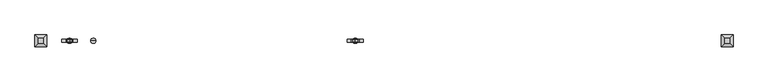
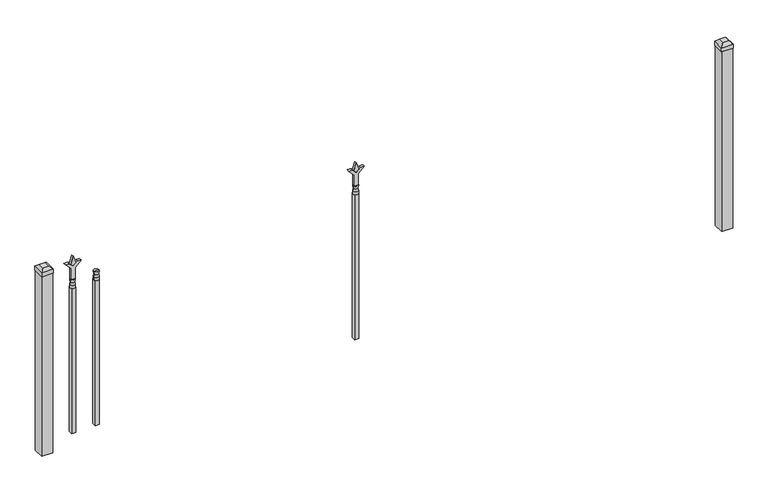
"""IFC4 building model written with IfcOpenShell, lengths in millimetres: railing geometry."""

import ifcopenshell
import ifcopenshell.guid

model = None  # the IFC model being written
_history = None  # IfcOwnerHistory: only IFC2X3 demands one
_inside = {}  # id of a spatial element -> (the spatial element, [elements in it])
_under = {}  # id of a project, library or spatial element -> (it, [spatial elements below it])
_declared = {}  # id of a project -> (the project, [libraries it declares])
_typed = {}  # id of a type object -> (the type object, [elements of that type])
_made_of = {}  # id of a material, layer set ... -> (it, [elements and type objects made of it])


def new_model(schema):
    """Start an empty IFC model of exactly this schema.

    Asked for "IFC4X3", IfcOpenShell would pick the latest addendum, in which some entities
    have other attributes; the version numbers below select the first issue.
    IFC2X3 requires an IfcOwnerHistory on every rooted entity: one is made here for all.
    """
    global model, _history
    if schema == "IFC4X3":
        model = ifcopenshell.file(schema_version=(4, 3, 0, 0))
    else:
        model = ifcopenshell.file(schema=schema)
    _inside.clear()
    _under.clear()
    _declared.clear()
    _typed.clear()
    _made_of.clear()
    _history = None
    if model.schema == "IFC2X3":
        org = make("IfcOrganization", Name="unknown")
        user = make(
            "IfcPersonAndOrganization",
            ThePerson=make("IfcPerson", FamilyName="unknown"),
            TheOrganization=org,
        )
        app = make(
            "IfcApplication",
            ApplicationDeveloper=org,
            Version="unknown",
            ApplicationFullName="unknown",
            ApplicationIdentifier="unknown",
        )
        _history = make(
            "IfcOwnerHistory",
            OwningUser=user,
            OwningApplication=app,
            ChangeAction="ADDED",
            CreationDate=0,
        )
    return model


def make(cls, **values):
    """One entity of the class cls with the attributes given. An attribute that is None is left unset."""
    return model.create_entity(
        cls, **{name: value for name, value in values.items() if value is not None}
    )


def rooted(cls, **values):
    """An entity with a GlobalId (a new one), such as an element, a storey or a relation."""
    return make(cls, GlobalId=ifcopenshell.guid.new(), OwnerHistory=_history, **values)


def si_unit(unit_type, name, prefix=None):
    """IfcSIUnit, for example si_unit("LENGTHUNIT", "METRE", prefix="MILLI")."""
    return make("IfcSIUnit", UnitType=unit_type, Prefix=prefix, Name=name)


def assignment(units):
    """IfcUnitAssignment: the units of a project."""
    return None if units is None else make("IfcUnitAssignment", Units=units)


def point(xyz):
    """IfcCartesianPoint."""
    return None if xyz is None else make("IfcCartesianPoint", Coordinates=xyz)


def direction(xyz):
    """IfcDirection."""
    return None if xyz is None else make("IfcDirection", DirectionRatios=xyz)


def frame(location, z_axis=None, x_axis=None):
    """IfcAxis2Placement3D, a coordinate frame: its origin and axes. An axis left out is left unset."""
    return make(
        "IfcAxis2Placement3D",
        Location=point(location),
        Axis=direction(z_axis),
        RefDirection=direction(x_axis),
    )


def origin():
    """The frame at (0, 0, 0) with its axes left unset."""
    return frame((0.0, 0.0, 0.0))


def place(relative_to, where):
    """IfcLocalPlacement: puts the frame where relative to a parent placement (None: the world)."""
    return make(
        "IfcLocalPlacement", PlacementRelTo=relative_to, RelativePlacement=where
    )


def context(
    kind, dimensions, precision=None, world=None, true_north=None, identifier=None
):
    """IfcGeometricRepresentationContext, for example the 3D "Model" context."""
    return make(
        "IfcGeometricRepresentationContext",
        ContextIdentifier=identifier,
        ContextType=kind,
        CoordinateSpaceDimension=dimensions,
        Precision=precision,
        WorldCoordinateSystem=world,
        TrueNorth=true_north,
    )


def project(units=None, contexts=None):
    """IfcProject with its units and contexts."""
    return rooted(
        "IfcProject",
        Name="project",
        RepresentationContexts=contexts,
        UnitsInContext=assignment(units),
    )


def spatial(cls, under=None, at=None, **own):
    """A site, building, storey or space (cls), placed at a placement, below another one or the project."""
    s = rooted(cls, ObjectPlacement=at, **own)
    if under is not None:
        _under.setdefault(under.id(), (under, []))[1].append(s)
    return s


def polyline(points):
    """IfcPolyline through the points."""
    return make("IfcPolyline", Points=[point(p) for p in points])


def circle_curve(where, radius):
    """IfcCircle in the frame where."""
    return make("IfcCircle", Position=where, Radius=radius)


def outline(outer, holes=None, kind="AREA"):
    """IfcArbitraryClosedProfileDef: a profile drawn as a closed curve; with holes, ...WithVoids."""
    if holes is None:
        return make("IfcArbitraryClosedProfileDef", ProfileType=kind, OuterCurve=outer)
    return make(
        "IfcArbitraryProfileDefWithVoids",
        ProfileType=kind,
        OuterCurve=outer,
        InnerCurves=holes,
    )


def extrude(swept, where, along, depth):
    """IfcExtrudedAreaSolid: the profile swept, set in the frame where, extruded along a direction by depth."""
    return make(
        "IfcExtrudedAreaSolid",
        SweptArea=swept,
        Position=where,
        ExtrudedDirection=direction(along),
        Depth=depth,
    )


def faces_of(points, faces, orient=None, outer=None):
    """IfcFace entities. A face is a list of loops; a loop is a list of indices into points, from 0.

    orient and outer hold one flag for each loop. By default every Orientation is true, the
    first loop of a face is its IfcFaceOuterBound and the others are IfcFaceBound.
    """
    made = []
    for i, loops in enumerate(faces):
        bounds = []
        for j, loop in enumerate(loops):
            is_outer = j == 0 if outer is None else outer[i][j]
            bounds.append(
                make(
                    "IfcFaceOuterBound" if is_outer else "IfcFaceBound",
                    Bound=make("IfcPolyLoop", Polygon=[points[k] for k in loop]),
                    Orientation=True if orient is None else orient[i][j],
                )
            )
        made.append(make("IfcFace", Bounds=bounds))
    return made


def faceted_brep(points, faces, orient=None, outer=None, voids=None):
    """IfcFacetedBrep: a solid bounded by flat faces; with voids (closed shells), ...WithVoids."""
    shared = [point(p) for p in points]
    hull = make("IfcClosedShell", CfsFaces=faces_of(shared, faces, orient, outer))
    if voids is None:
        return make("IfcFacetedBrep", Outer=hull)
    return make(
        "IfcFacetedBrepWithVoids",
        Outer=hull,
        Voids=[
            make(cls, CfsFaces=faces_of(shared, fs, o, b)) for cls, fs, o, b in voids
        ],
    )


def shape(context_of_items, identifier, shape_type, items):
    """IfcShapeRepresentation: the items that make up one representation, for example the "Body"."""
    return make(
        "IfcShapeRepresentation",
        ContextOfItems=context_of_items,
        RepresentationIdentifier=identifier,
        RepresentationType=shape_type,
        Items=items,
    )


def source(mapping_origin, context_of_items, identifier, shape_type, items):
    """IfcRepresentationMap: a shape defined once, which mapped items show again and again."""
    return make(
        "IfcRepresentationMap",
        MappingOrigin=mapping_origin,
        MappedRepresentation=shape(context_of_items, identifier, shape_type, items),
    )


def transform(
    local_origin,
    x_axis=None,
    y_axis=None,
    z_axis=None,
    scale=None,
    scale2=None,
    scale3=None,
    uniform=True,
):
    """IfcCartesianTransformationOperator3D, or its non-uniform kind. x_axis, y_axis, z_axis: its Axis1, 2, 3."""
    if uniform:
        return make(
            "IfcCartesianTransformationOperator3D",
            Axis1=direction(x_axis),
            Axis2=direction(y_axis),
            LocalOrigin=point(local_origin),
            Scale=scale,
            Axis3=direction(z_axis),
        )
    return make(
        "IfcCartesianTransformationOperator3DnonUniform",
        Axis1=direction(x_axis),
        Axis2=direction(y_axis),
        LocalOrigin=point(local_origin),
        Scale=scale,
        Axis3=direction(z_axis),
        Scale2=scale2,
        Scale3=scale3,
    )


def mapped(mapping_source, mapping_target):
    """IfcMappedItem: shows the shape of a source again, moved by a transform."""
    return make(
        "IfcMappedItem", MappingSource=mapping_source, MappingTarget=mapping_target
    )


def made_of(thing, what):
    """Note that an element or type object is made of a material, layer set ...; save() writes the relation."""
    if what is not None:
        _made_of.setdefault(what.id(), (what, []))[1].append(thing)
    return thing


def element(
    cls,
    number,
    at=None,
    inside=None,
    cuts=None,
    type_object=None,
    material=None,
    context=None,
    identifier="Body",
    shape_type=None,
    held_by="IfcProductDefinitionShape",
    body=None,
    shapes=None,
    **own,
):
    """One element of the class cls, such as IfcWall. Its Tag is "e" and its number.

    at: its placement. inside: the storey or other place that contains it. cuts: it is an
    opening in that element (IfcRelVoidsElement). A single representation is given by context,
    identifier, shape_type and body (its items); several are given by shapes. held_by: the class
    of the entity that holds the representations. save() writes the other relations.
    """
    e = rooted(cls, Tag="e%d" % number, ObjectPlacement=at, **own)
    if body is not None:
        shapes = [shape(context, identifier, shape_type, body)]
    if shapes is not None:
        e.Representation = make(held_by, Representations=shapes)
    if inside is not None:
        _inside.setdefault(inside.id(), (inside, []))[1].append(e)
    if cuts is not None:
        rooted(
            "IfcRelVoidsElement", RelatingBuildingElement=cuts, RelatedOpeningElement=e
        )
    if type_object is not None:
        _typed.setdefault(type_object.id(), (type_object, []))[1].append(e)
    return made_of(e, material)


def aggregate(whole, parts):
    """IfcRelAggregates: a whole, such as a stair, and the parts it consists of."""
    return rooted("IfcRelAggregates", RelatingObject=whole, RelatedObjects=parts)


def save(model, path):
    """Write the relations noted so far, then the file.

    IfcRelAggregates (storeys below a building ...), IfcRelContainedInSpatialStructure (elements
    in a storey), IfcRelDefinesByType, IfcRelAssociatesMaterial and IfcRelDeclares: one each for
    every whole, place, type object, material and project.
    """
    for whole, parts in _under.values():
        aggregate(whole, parts)
    for where, things in _inside.values():
        rooted(
            "IfcRelContainedInSpatialStructure",
            RelatedElements=things,
            RelatingStructure=where,
        )
    for kind, things in _typed.values():
        rooted("IfcRelDefinesByType", RelatedObjects=things, RelatingType=kind)
    for what, things in _made_of.values():
        rooted("IfcRelAssociatesMaterial", RelatedObjects=things, RelatingMaterial=what)
    for by, libraries in _declared.values():
        rooted("IfcRelDeclares", RelatingContext=by, RelatedDefinitions=libraries)
    model.write(path)


def plane_surface(at):
    """IfcPlane: the flat surface through the origin of the frame at, square to its z axis."""
    return make("IfcPlane", Position=at)


def cylinder_surface(at, radius):
    """IfcCylindricalSurface: all points at the distance radius from the z axis of the frame at."""
    return make("IfcCylindricalSurface", Position=at, Radius=radius)


def revolved_surface(curve, axis_point, axis_direction):
    """IfcSurfaceOfRevolution: the curve turned about the line through axis_point along axis_direction."""
    return make(
        "IfcSurfaceOfRevolution",
        SweptCurve=make("IfcArbitraryOpenProfileDef", ProfileType="CURVE", Curve=curve),
        AxisPosition=make("IfcAxis1Placement", Location=point(axis_point), Axis=direction(axis_direction)),
    )


def advanced_brep(points, edges, surfaces, faces):
    """IfcAdvancedBrep: a solid bounded by faces that lie on surfaces and meet in shared edges.

    An edge is (start, end): straight between two places in points (the first is 0);
    or (start, end, curve); or (start, end, curve, False) where it runs against its curve.
    A face is (place in surfaces, loops), or (place, loops, False) where it looks against
    its surface's normal. A loop lists edges by number (the first is 1), with a minus sign
    where the edge is run from its end to its start. The first loop is the outer one.
    """
    corners = [point(p) for p in points]
    vertices = [make("IfcVertexPoint", VertexGeometry=c) for c in corners]
    made = []
    for start, end, *more in edges:
        made.append(
            make(
                "IfcEdgeCurve",
                EdgeStart=vertices[start],
                EdgeEnd=vertices[end],
                EdgeGeometry=more[0] if more else make("IfcPolyline", Points=[corners[start], corners[end]]),
                SameSense=more[1] if len(more) > 1 else True,
            )
        )
    hull = []
    for where, loops, *sense in faces:
        bounds = []
        for j, loop in enumerate(loops):
            ring = [make("IfcOrientedEdge", EdgeElement=made[abs(k) - 1], Orientation=k > 0) for k in loop]
            bounds.append(
                make(
                    "IfcFaceOuterBound" if j == 0 else "IfcFaceBound",
                    Bound=make("IfcEdgeLoop", EdgeList=ring),
                    Orientation=True,
                )
            )
        hull.append(make("IfcAdvancedFace", Bounds=bounds, FaceSurface=surfaces[where], SameSense=sense[0] if sense else True))
    return make("IfcAdvancedBrep", Outer=make("IfcClosedShell", CfsFaces=hull))


def railing_8df37044(model_context):
    return source(origin(), model_context, "Body", "SolidModel", [
        advanced_brep(
        [(-9537.0633467, 7037.6199518, 12966.7), (-9560.8758467, 7037.6199518, 12966.7), (-9560.8758467, 7037.6199518, 12954.0), (-9537.0633467, 7037.6199518, 12954.0), (-9539.2686786, 7037.6199518, 12979.2070585), (-9558.6705149, 7037.6199518, 12979.2070585), (-9537.0633467, 7037.6199518, 12995.275), (-9560.8758467, 7037.6199518, 12995.275), (-9548.9695967, 7037.6199518, 12995.275), (-9548.9695967, 7037.6199518, 12954.0)],
        [
            (0, 1, circle_curve(frame((-9548.9695967, 7037.6199518, 12966.7), z_axis=(0.0, 0.0, -1.0), x_axis=(-1.0, 0.0, 0.0)), 11.90625)),
            (1, 2),
            (2, 3, circle_curve(frame((-9548.9695967, 7037.6199518, 12954.0), z_axis=(0.0, 0.0, 1.0), x_axis=(-1.0, 0.0, 0.0)), 11.90625)),
            (3, 0),
            (1, 0, circle_curve(frame((-9548.9695967, 7037.6199518, 12966.7), z_axis=(0.0, 0.0, -1.0), x_axis=(-1.0, 0.0, 0.0)), 11.90625)),
            (3, 2, circle_curve(frame((-9548.9695967, 7037.6199518, 12954.0), z_axis=(0.0, 0.0, 1.0), x_axis=(-1.0, 0.0, 0.0)), 11.90625)),
            (4, 5, circle_curve(frame((-9548.9695967, 7037.6199518, 12979.2070585), z_axis=(0.0, 0.0, -1.0), x_axis=(-1.0, 0.0, 0.0)), 9.7009181)),
            (5, 1),
            (0, 4),
            (5, 4, circle_curve(frame((-9548.9695967, 7037.6199518, 12979.2070585), z_axis=(0.0, 0.0, -1.0), x_axis=(-1.0, 0.0, 0.0)), 9.7009181)),
            (6, 7, circle_curve(frame((-9548.9695967, 7037.6199518, 12995.275), z_axis=(0.0, 0.0, -1.0), x_axis=(-1.0, 0.0, 0.0)), 11.90625)),
            (7, 5),
            (4, 6),
            (7, 6, circle_curve(frame((-9548.9695967, 7037.6199518, 12995.275), z_axis=(0.0, 0.0, -1.0), x_axis=(-1.0, 0.0, 0.0)), 11.90625)),
            (8, 7),
            (6, 8),
            (2, 9),
            (9, 3),
        ],
        [
            cylinder_surface(frame((-9548.9695967, 7037.6199518, 12954.0), z_axis=(0.0, 0.0, 1.0), x_axis=(-1.0, 0.0, 0.0)), 11.90625),
            revolved_surface(polyline([(-9560.8758467, 7037.6199518, 12966.7), (-9558.6705149, 7037.6199518, 12979.2070585)]), (-9548.9695967, 7037.6199518, 12954.0), (0.0, 0.0, 1.0)),
            revolved_surface(polyline([(-9558.6705149, 7037.6199518, 12979.2070585), (-9560.8758467, 7037.6199518, 12995.275)]), (-9548.9695967, 7037.6199518, 12954.0), (0.0, 0.0, 1.0)),
            plane_surface(frame((-9548.9695967, 7037.6199518, 12995.275), z_axis=(0.0, 0.0, 1.0), x_axis=(-1.0, 0.0, 0.0))),
            plane_surface(frame((-9548.9695967, 7037.6199518, 12954.0), z_axis=(0.0, 0.0, -1.0), x_axis=(-1.0, 0.0, 0.0))),
        ],
        [
            (0, [[1, 2, 3, 4]]),
            (0, [[5, -4, 6, -2]]),
            (1, [[7, 8, -1, 9]]),
            (1, [[10, -9, -5, -8]]),
            (2, [[11, 12, -7, 13]]),
            (2, [[14, -13, -10, -12]]),
            (3, [[15, -11, 16]]),
            (3, [[-16, -14, -15]]),
            (4, [[-3, 17, 18]]),
            (4, [[-6, -18, -17]]),
        ],
    ),
        extrude(outline(polyline([(-9558.4945967, 7047.1449518), (-9539.4445967, 7047.1449518), (-9539.4445967, 7028.0949518), (-9558.4945967, 7028.0949518), (-9558.4945967, 7047.1449518)])), frame((0.0, 0.0, 12242.8), z_axis=(0.0, 0.0, 1.0), x_axis=(1.0, 0.0, 0.0)), (0.0, 0.0, 1.0), 711.2),
        extrude(outline(polyline([(13070.68125, -8335.0612634), (13106.4, -8346.9675134), (13070.68125, -8358.8737634), (13058.775, -8346.9675134), (13070.68125, -8335.0612634)])), frame((0.0, 7032.8574518, 0.0), z_axis=(0.0, 1.0, 0.0), x_axis=(0.0, 0.0, 1.0)), (0.0, 0.0, 1.0), 9.525),
        extrude(outline(polyline([(12995.275, -8338.2362634), (13049.5457378, -8338.2362634), (13076.7355122, -8311.0464889), (13076.7355122, -8329.0070011), (13058.775, -8346.9675134), (13076.7355122, -8364.9280256), (13076.7355122, -8382.8885379), (13049.5457378, -8355.6987634), (12995.275, -8355.6987634), (12995.275, -8338.2362634)])), frame((0.0, 7031.2699518, 0.0), z_axis=(0.0, 1.0, 0.0), x_axis=(0.0, 0.0, 1.0)), (0.0, 0.0, 1.0), 12.7),
        advanced_brep(
        [(-8335.0612634, 7037.6199518, 12966.7), (-8358.8737634, 7037.6199518, 12966.7), (-8358.8737634, 7037.6199518, 12954.0), (-8335.0612634, 7037.6199518, 12954.0), (-8337.2665952, 7037.6199518, 12979.2070585), (-8356.6684315, 7037.6199518, 12979.2070585), (-8335.0612634, 7037.6199518, 12995.275), (-8358.8737634, 7037.6199518, 12995.275), (-8346.9675134, 7037.6199518, 12995.275), (-8346.9675134, 7037.6199518, 12954.0)],
        [
            (0, 1, circle_curve(frame((-8346.9675134, 7037.6199518, 12966.7), z_axis=(0.0, 0.0, -1.0), x_axis=(-1.0, 0.0, 0.0)), 11.90625)),
            (1, 2),
            (2, 3, circle_curve(frame((-8346.9675134, 7037.6199518, 12954.0), z_axis=(0.0, 0.0, 1.0), x_axis=(-1.0, 0.0, 0.0)), 11.90625)),
            (3, 0),
            (1, 0, circle_curve(frame((-8346.9675134, 7037.6199518, 12966.7), z_axis=(0.0, 0.0, -1.0), x_axis=(-1.0, 0.0, 0.0)), 11.90625)),
            (3, 2, circle_curve(frame((-8346.9675134, 7037.6199518, 12954.0), z_axis=(0.0, 0.0, 1.0), x_axis=(-1.0, 0.0, 0.0)), 11.90625)),
            (4, 5, circle_curve(frame((-8346.9675134, 7037.6199518, 12979.2070585), z_axis=(0.0, 0.0, -1.0), x_axis=(-1.0, 0.0, 0.0)), 9.7009181)),
            (5, 1),
            (0, 4),
            (5, 4, circle_curve(frame((-8346.9675134, 7037.6199518, 12979.2070585), z_axis=(0.0, 0.0, -1.0), x_axis=(-1.0, 0.0, 0.0)), 9.7009181)),
            (6, 7, circle_curve(frame((-8346.9675134, 7037.6199518, 12995.275), z_axis=(0.0, 0.0, -1.0), x_axis=(-1.0, 0.0, 0.0)), 11.90625)),
            (7, 5),
            (4, 6),
            (7, 6, circle_curve(frame((-8346.9675134, 7037.6199518, 12995.275), z_axis=(0.0, 0.0, -1.0), x_axis=(-1.0, 0.0, 0.0)), 11.90625)),
            (8, 7),
            (6, 8),
            (2, 9),
            (9, 3),
        ],
        [
            cylinder_surface(frame((-8346.9675134, 7037.6199518, 12954.0), z_axis=(0.0, 0.0, 1.0), x_axis=(-1.0, 0.0, 0.0)), 11.90625),
            revolved_surface(polyline([(-8358.8737634, 7037.6199518, 12966.7), (-8356.6684315, 7037.6199518, 12979.2070585)]), (-8346.9675134, 7037.6199518, 12954.0), (0.0, 0.0, 1.0)),
            revolved_surface(polyline([(-8356.6684315, 7037.6199518, 12979.2070585), (-8358.8737634, 7037.6199518, 12995.275)]), (-8346.9675134, 7037.6199518, 12954.0), (0.0, 0.0, 1.0)),
            plane_surface(frame((-8346.9675134, 7037.6199518, 12995.275), z_axis=(0.0, 0.0, 1.0), x_axis=(-1.0, 0.0, 0.0))),
            plane_surface(frame((-8346.9675134, 7037.6199518, 12954.0), z_axis=(0.0, 0.0, -1.0), x_axis=(-1.0, 0.0, 0.0))),
        ],
        [
            (0, [[1, 2, 3, 4]]),
            (0, [[5, -4, 6, -2]]),
            (1, [[7, 8, -1, 9]]),
            (1, [[10, -9, -5, -8]]),
            (2, [[11, 12, -7, 13]]),
            (2, [[14, -13, -10, -12]]),
            (3, [[15, -11, 16]]),
            (3, [[-16, -14, -15]]),
            (4, [[-3, 17, 18]]),
            (4, [[-6, -18, -17]]),
        ],
    ),
        extrude(outline(polyline([(-8356.4925134, 7047.1449518), (-8337.4425134, 7047.1449518), (-8337.4425134, 7028.0949518), (-8356.4925134, 7028.0949518), (-8356.4925134, 7047.1449518)])), frame((0.0, 0.0, 12242.8), z_axis=(0.0, 0.0, 1.0), x_axis=(1.0, 0.0, 0.0)), (0.0, 0.0, 1.0), 711.2),
        extrude(outline(polyline([(13070.68125, -9646.3362634), (13106.4, -9658.2425134), (13070.68125, -9670.1487634), (13058.775, -9658.2425134), (13070.68125, -9646.3362634)])), frame((0.0, 7032.8574518, 0.0), z_axis=(0.0, 1.0, 0.0), x_axis=(0.0, 0.0, 1.0)), (0.0, 0.0, 1.0), 9.525),
        extrude(outline(polyline([(12995.275, -9649.5112634), (13049.5457378, -9649.5112634), (13076.7355122, -9622.3214889), (13076.7355122, -9640.2820011), (13058.775, -9658.2425134), (13076.7355122, -9676.2030256), (13076.7355122, -9694.1635379), (13049.5457378, -9666.9737634), (12995.275, -9666.9737634), (12995.275, -9649.5112634)])), frame((0.0, 7031.2699518, 0.0), z_axis=(0.0, 1.0, 0.0), x_axis=(0.0, 0.0, 1.0)), (0.0, 0.0, 1.0), 12.7),
        advanced_brep(
        [(-9646.3362634, 7037.6199518, 12966.7), (-9670.1487634, 7037.6199518, 12966.7), (-9670.1487634, 7037.6199518, 12954.0), (-9646.3362634, 7037.6199518, 12954.0), (-9648.5415952, 7037.6199518, 12979.2070585), (-9667.9434315, 7037.6199518, 12979.2070585), (-9646.3362634, 7037.6199518, 12995.275), (-9670.1487634, 7037.6199518, 12995.275), (-9658.2425134, 7037.6199518, 12995.275), (-9658.2425134, 7037.6199518, 12954.0)],
        [
            (0, 1, circle_curve(frame((-9658.2425134, 7037.6199518, 12966.7), z_axis=(0.0, 0.0, -1.0), x_axis=(-1.0, 0.0, 0.0)), 11.90625)),
            (1, 2),
            (2, 3, circle_curve(frame((-9658.2425134, 7037.6199518, 12954.0), z_axis=(0.0, 0.0, 1.0), x_axis=(-1.0, 0.0, 0.0)), 11.90625)),
            (3, 0),
            (1, 0, circle_curve(frame((-9658.2425134, 7037.6199518, 12966.7), z_axis=(0.0, 0.0, -1.0), x_axis=(-1.0, 0.0, 0.0)), 11.90625)),
            (3, 2, circle_curve(frame((-9658.2425134, 7037.6199518, 12954.0), z_axis=(0.0, 0.0, 1.0), x_axis=(-1.0, 0.0, 0.0)), 11.90625)),
            (4, 5, circle_curve(frame((-9658.2425134, 7037.6199518, 12979.2070585), z_axis=(0.0, 0.0, -1.0), x_axis=(-1.0, 0.0, 0.0)), 9.7009181)),
            (5, 1),
            (0, 4),
            (5, 4, circle_curve(frame((-9658.2425134, 7037.6199518, 12979.2070585), z_axis=(0.0, 0.0, -1.0), x_axis=(-1.0, 0.0, 0.0)), 9.7009181)),
            (6, 7, circle_curve(frame((-9658.2425134, 7037.6199518, 12995.275), z_axis=(0.0, 0.0, -1.0), x_axis=(-1.0, 0.0, 0.0)), 11.90625)),
            (7, 5),
            (4, 6),
            (7, 6, circle_curve(frame((-9658.2425134, 7037.6199518, 12995.275), z_axis=(0.0, 0.0, -1.0), x_axis=(-1.0, 0.0, 0.0)), 11.90625)),
            (8, 7),
            (6, 8),
            (2, 9),
            (9, 3),
        ],
        [
            cylinder_surface(frame((-9658.2425134, 7037.6199518, 12954.0), z_axis=(0.0, 0.0, 1.0), x_axis=(-1.0, 0.0, 0.0)), 11.90625),
            revolved_surface(polyline([(-9670.1487634, 7037.6199518, 12966.7), (-9667.9434315, 7037.6199518, 12979.2070585)]), (-9658.2425134, 7037.6199518, 12954.0), (0.0, 0.0, 1.0)),
            revolved_surface(polyline([(-9667.9434315, 7037.6199518, 12979.2070585), (-9670.1487634, 7037.6199518, 12995.275)]), (-9658.2425134, 7037.6199518, 12954.0), (0.0, 0.0, 1.0)),
            plane_surface(frame((-9658.2425134, 7037.6199518, 12995.275), z_axis=(0.0, 0.0, 1.0), x_axis=(-1.0, 0.0, 0.0))),
            plane_surface(frame((-9658.2425134, 7037.6199518, 12954.0), z_axis=(0.0, 0.0, -1.0), x_axis=(-1.0, 0.0, 0.0))),
        ],
        [
            (0, [[1, 2, 3, 4]]),
            (0, [[5, -4, 6, -2]]),
            (1, [[7, 8, -1, 9]]),
            (1, [[10, -9, -5, -8]]),
            (2, [[11, 12, -7, 13]]),
            (2, [[14, -13, -10, -12]]),
            (3, [[15, -11, 16]]),
            (3, [[-16, -14, -15]]),
            (4, [[-3, 17, 18]]),
            (4, [[-6, -18, -17]]),
        ],
    ),
        extrude(outline(polyline([(-9667.7675134, 7047.1449518), (-9648.7175134, 7047.1449518), (-9648.7175134, 7028.0949518), (-9667.7675134, 7028.0949518), (-9667.7675134, 7047.1449518)])), frame((0.0, 0.0, 12242.8), z_axis=(0.0, 0.0, 1.0), x_axis=(1.0, 0.0, 0.0)), (0.0, 0.0, 1.0), 711.2),
        faceted_brep([(-6667.3925134, 7064.6074518, 13093.7), (-6667.3925134, 7064.6074518, 13074.65), (-6667.3925134, 7010.6324518, 13074.65), (-6667.3925134, 7010.6324518, 13093.7), (-6654.6925134, 7051.9074518, 13106.4), (-6654.6925134, 7023.3324518, 13106.4), (-6613.4175134, 7010.6324518, 13074.65), (-6613.4175134, 7010.6324518, 13093.7), (-6626.1175134, 7023.3324518, 13106.4), (-6613.4175134, 7064.6074518, 13074.65), (-6613.4175134, 7064.6074518, 13093.7), (-6626.1175134, 7051.9074518, 13106.4)], [[[0, 1, 2, 3]], [[4, 0, 3, 5]], [[3, 2, 6, 7]], [[5, 3, 7, 8]], [[7, 6, 9, 10]], [[8, 7, 10, 11]], [[10, 9, 1, 0]], [[11, 10, 0, 4]], [[5, 8, 11, 4]], [[1, 9, 6, 2]]]),
        extrude(outline(polyline([(-6615.0050134, 7063.0199518), (-6615.0050134, 7012.2199518), (-6665.8050134, 7012.2199518), (-6665.8050134, 7063.0199518), (-6615.0050134, 7063.0199518)])), frame((0.0, 0.0, 12192.0), z_axis=(0.0, 0.0, 1.0), x_axis=(1.0, 0.0, 0.0)), (0.0, 0.0, 1.0), 882.65),
        faceted_brep([(-9816.9925134, 7064.6074518, 13093.7), (-9816.9925134, 7064.6074518, 13074.65), (-9816.9925134, 7010.6324518, 13074.65), (-9816.9925134, 7010.6324518, 13093.7), (-9804.2925134, 7051.9074518, 13106.4), (-9804.2925134, 7023.3324518, 13106.4), (-9763.0175134, 7010.6324518, 13074.65), (-9763.0175134, 7010.6324518, 13093.7), (-9775.7175134, 7023.3324518, 13106.4), (-9763.0175134, 7064.6074518, 13074.65), (-9763.0175134, 7064.6074518, 13093.7), (-9775.7175134, 7051.9074518, 13106.4)], [[[0, 1, 2, 3]], [[4, 0, 3, 5]], [[3, 2, 6, 7]], [[5, 3, 7, 8]], [[7, 6, 9, 10]], [[8, 7, 10, 11]], [[10, 9, 1, 0]], [[11, 10, 0, 4]], [[5, 8, 11, 4]], [[1, 9, 6, 2]]]),
        extrude(outline(polyline([(-9764.6050134, 7063.0199518), (-9764.6050134, 7012.2199518), (-9815.4050134, 7012.2199518), (-9815.4050134, 7063.0199518), (-9764.6050134, 7063.0199518)])), frame((0.0, 0.0, 12192.0), z_axis=(0.0, 0.0, 1.0), x_axis=(1.0, 0.0, 0.0)), (0.0, 0.0, 1.0), 882.65),
    ])


if __name__ == "__main__":
    model = new_model("IFC4")
    model_context = context("Model", 3, world=origin())
    ifc_project = project(units=[si_unit("LENGTHUNIT", "METRE", prefix="MILLI")], contexts=[model_context])
    site = spatial("IfcSite", under=ifc_project)
    building = spatial("IfcBuilding", under=site)
    placement = place(None, origin())
    railing_shape = railing_8df37044(model_context)
    element("IfcRailing", 1, at=placement, inside=building, context=model_context, shape_type="MappedRepresentation", body=[
        mapped(railing_shape, transform((0.0, 0.0, 0.0), x_axis=(1.0, 0.0, 0.0), y_axis=(0.0, 1.0, 0.0), z_axis=(0.0, 0.0, 1.0))),
    ])
    save(model, "model.ifc")
